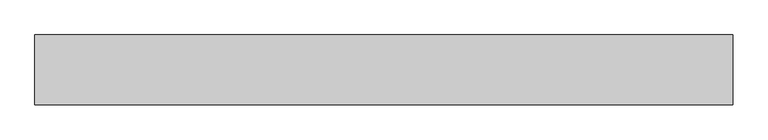
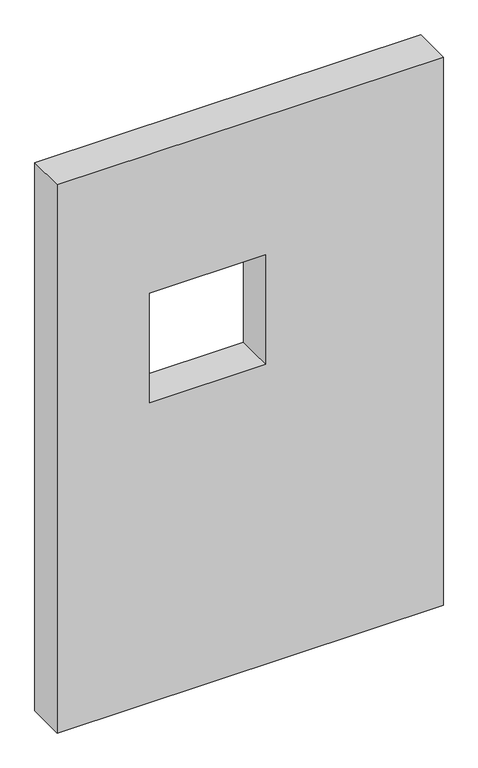
"""IFC4 building model written with IfcOpenShell, lengths in millimetres: proxy geometry."""

from ifc_helpers import new_model, si_unit, frame, origin, place, context, project, spatial, polyline, outline, extrude, source, transform, mapped, element, save


def generic_models_7c8686bb(model_context):
    return source(origin(), model_context, "Body", "SweptSolid", [
        extrude(outline(polyline([(1500.0, 1000.0), (1500.0, 0.0), (0.0, 0.0), (0.0, 1000.0), (1500.0, 1000.0)]), holes=[polyline([(1120.0, 240.0), (1120.0, 540.0), (820.0, 540.0), (820.0, 240.0), (1120.0, 240.0)])]), frame((0.0, 0.0, 0.0), z_axis=(0.0, 1.0, 0.0), x_axis=(0.0, 0.0, 1.0)), (0.0, 0.0, 1.0), 100.0),
    ])


if __name__ == "__main__":
    model = new_model("IFC4")
    model_context = context("Model", 3, world=origin())
    ifc_project = project(units=[si_unit("LENGTHUNIT", "METRE", prefix="MILLI")], contexts=[model_context])
    site = spatial("IfcSite", under=ifc_project)
    building = spatial("IfcBuilding", under=site)
    placement = place(None, origin())
    generic_models_shape = generic_models_7c8686bb(model_context)
    element("IfcBuildingElementProxy", 1, Name="Generic Models", at=placement, inside=building, context=model_context, shape_type="MappedRepresentation", body=[
        mapped(generic_models_shape, transform((0.0, 0.0, 0.0), x_axis=(1.0, 0.0, 0.0), y_axis=(0.0, 1.0, 0.0), z_axis=(0.0, 0.0, 1.0))),
    ])
    save(model, "model.ifc")
